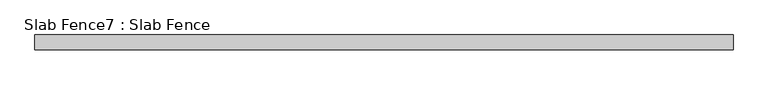
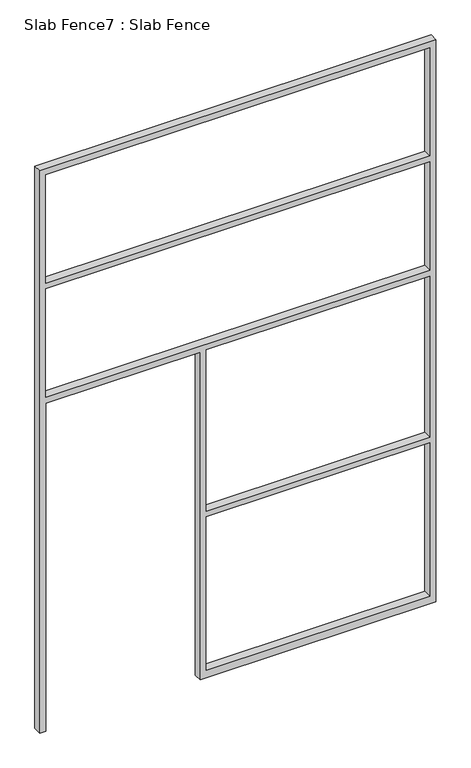
"""IFC4 building model written with IfcOpenShell, lengths in millimetres: proxy geometry, Slab Fence7 : Slab Fence."""

from ifc_helpers import new_model, si_unit, frame, origin, place, context, project, spatial, polyline, outline, extrude, source, transform, mapped, element, save


def slab_fence7_slab_fence_6b0b898b(model_context):
    return source(origin(), model_context, "Body", "SweptSolid", [
        extrude(outline(polyline([(3657.6, -10883.9098205), (0.0, -10883.9098205), (0.0, -10845.8098205), (2133.6, -10845.8098205), (2133.6, -9896.4848205), (0.0, -9896.4848205), (0.0, -9858.3848205), (0.0, -8445.5098205), (3657.6, -8445.5098205), (3657.6, -10883.9098205)]), holes=[polyline([(2876.55, -10845.8098205), (2876.55, -8483.6098205), (2171.7, -8483.6098205), (2171.7, -10845.8098205), (2876.55, -10845.8098205)]), polyline([(3619.5, -8483.6098205), (2914.65, -8483.6098205), (2914.65, -10845.8098205), (3619.5, -10845.8098205), (3619.5, -8483.6098205)]), polyline([(1085.85, -9858.3848205), (2133.6, -9858.3848205), (2133.6, -8483.6098205), (1085.85, -8483.6098205), (1085.85, -9858.3848205)]), polyline([(1047.75, -8483.6098205), (50.8, -8483.6098205), (50.8, -9858.3848205), (1047.75, -9858.3848205), (1047.75, -8483.6098205)])]), frame((0.0, 5176.266085, 0.0), z_axis=(0.0, 1.0, 0.0), x_axis=(0.0, 0.0, 1.0)), (0.0, 0.0, 1.0), 52.001598),
    ])


if __name__ == "__main__":
    model = new_model("IFC4")
    model_context = context("Model", 3, world=origin())
    ifc_project = project(units=[si_unit("LENGTHUNIT", "METRE", prefix="MILLI")], contexts=[model_context])
    site = spatial("IfcSite", under=ifc_project)
    building = spatial("IfcBuilding", under=site)
    placement = place(None, origin())
    slab_fence7_slab_fence_shape = slab_fence7_slab_fence_6b0b898b(model_context)
    element("IfcBuildingElementProxy", 1, Name="Slab Fence7 : Slab Fence", ObjectType="Slab Fence7 : Slab Fence", at=placement, inside=building, context=model_context, shape_type="MappedRepresentation", body=[
        mapped(slab_fence7_slab_fence_shape, transform((0.0, 0.0, 0.0), x_axis=(1.0, 0.0, 0.0), y_axis=(0.0, 1.0, 0.0), z_axis=(0.0, 0.0, 1.0))),
    ])
    save(model, "model.ifc")
